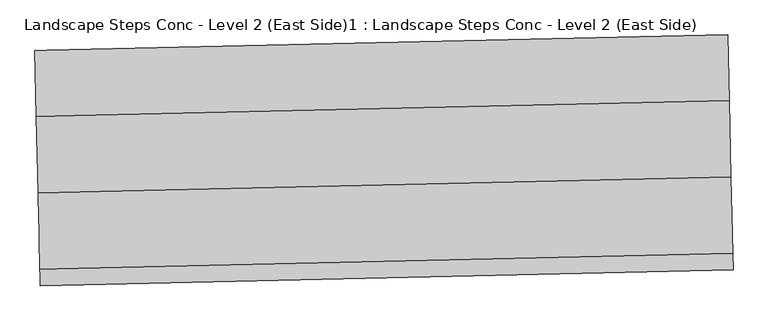
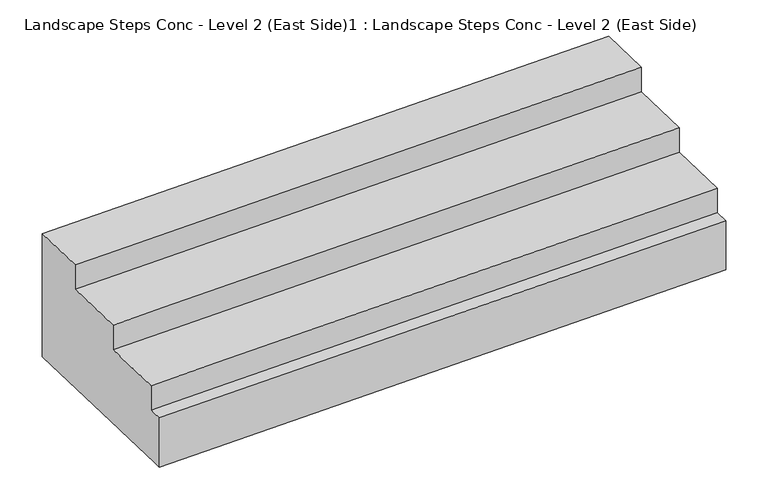
"""IFC4 building model written with IfcOpenShell, lengths in millimetres: beam geometry, Landscape Steps Conc - Level 2 (East Side)1 : Landscape Steps Conc - Level 2 (East Side)."""

from ifc_helpers import new_model, si_unit, origin, place, context, project, spatial, faceted_brep, source, transform, mapped, element, save


def landscape_steps_conc_level_2_east_side_1_landscape_steps_df061a48(model_context):
    return source(origin(), model_context, "Body", "Brep", [
        faceted_brep([(217960.8510951, 153579.7943248, 6850.0), (217953.6944104, 153894.7130157, 6850.0), (217953.6944104, 153894.7130157, 6100.0), (217970.4513684, 153157.3493446, 6100.0), (217970.8477339, 153139.9078995, 6100.0), (217978.1180167, 152819.9904992, 6100.0), (217979.2539984, 152770.0034054, 6100.0), (217979.2539984, 152770.0034054, 6400.0), (217978.1180167, 152819.9904992, 6400.0), (217977.4364277, 152849.9827555, 6400.0), (217977.4364277, 152849.9827555, 6550.0), (217970.8477339, 153139.9078995, 6550.0), (217970.4513684, 153157.3493446, 6550.0), (217969.1437614, 153214.8885402, 6550.0), (217969.1437614, 153214.8885402, 6700.0), (217960.8510951, 153579.7943248, 6700.0), (221269.5637268, 153654.986473, 6850.0), (221269.5637268, 153654.986473, 6700.0), (221277.8563931, 153290.0806883, 6700.0), (221277.8563931, 153290.0806883, 6550.0), (221286.1490594, 152925.1749036, 6550.0), (221286.1490594, 152925.1749036, 6400.0), (221287.9666301, 152845.1955536, 6400.0), (221287.9666301, 152845.1955536, 6100.0), (221262.4070421, 153969.9051638, 6100.0), (221262.4070421, 153969.9051638, 6400.0), (221262.4070421, 153969.9051638, 6850.0), (218139.6311504, 153583.8571909, 6850.0), (218011.7676864, 153896.0327599, 6850.0), (218011.7676864, 153896.0327599, 6100.0), (218373.736502, 152778.9682175, 6100.0), (218366.3892235, 152858.8219022, 6400.0), (218058.6017824, 152851.8272787, 6400.0), (218366.3892235, 152858.8219022, 6550.0), (218058.6017824, 152851.8272787, 6550.0), (218264.7304783, 153221.605896, 6550.0), (218264.7304783, 153221.605896, 6700.0), (218139.6311504, 153583.8571909, 6700.0)], [[[0, 1, 2, 3, 4, 5, 6, 7, 8, 9, 10, 11, 12, 13, 14, 15]], [[16, 17, 18, 19, 20, 21, 22, 23, 24, 25, 26]], [[1, 0, 27, 16, 26, 28]], [[2, 1, 28, 26, 25, 24, 29]], [[6, 5, 4, 3, 2, 29, 24, 23, 30]], [[7, 6, 30, 23, 22]], [[9, 8, 7, 22, 21, 31, 32]], [[10, 9, 32, 31, 21, 20, 33, 34]], [[13, 12, 11, 10, 34, 33, 20, 19, 35]], [[14, 13, 35, 19, 18, 36]], [[15, 14, 36, 18, 17, 37]], [[0, 15, 37, 17, 16, 27]]]),
    ])


if __name__ == "__main__":
    model = new_model("IFC4")
    model_context = context("Model", 3, world=origin())
    ifc_project = project(units=[si_unit("LENGTHUNIT", "METRE", prefix="MILLI")], contexts=[model_context])
    site = spatial("IfcSite", under=ifc_project)
    building = spatial("IfcBuilding", under=site)
    placement = place(None, origin())
    landscape_steps_conc_level_2_east_side_1_landscape_steps_shape = landscape_steps_conc_level_2_east_side_1_landscape_steps_df061a48(model_context)
    element("IfcBeam", 1, ObjectType="Landscape Steps Conc - Level 2 (East Side)1 : Landscape Steps Conc - Level 2 (East Side)", at=placement, inside=building, context=model_context, shape_type="MappedRepresentation", body=[
        mapped(landscape_steps_conc_level_2_east_side_1_landscape_steps_shape, transform((0.0, 0.0, 0.0), x_axis=(1.0, 0.0, 0.0), y_axis=(0.0, 1.0, 0.0), z_axis=(0.0, 0.0, 1.0))),
    ])
    save(model, "model.ifc")
